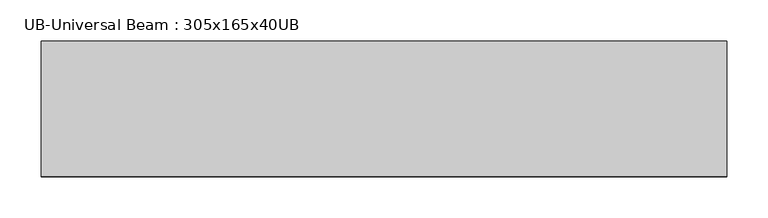
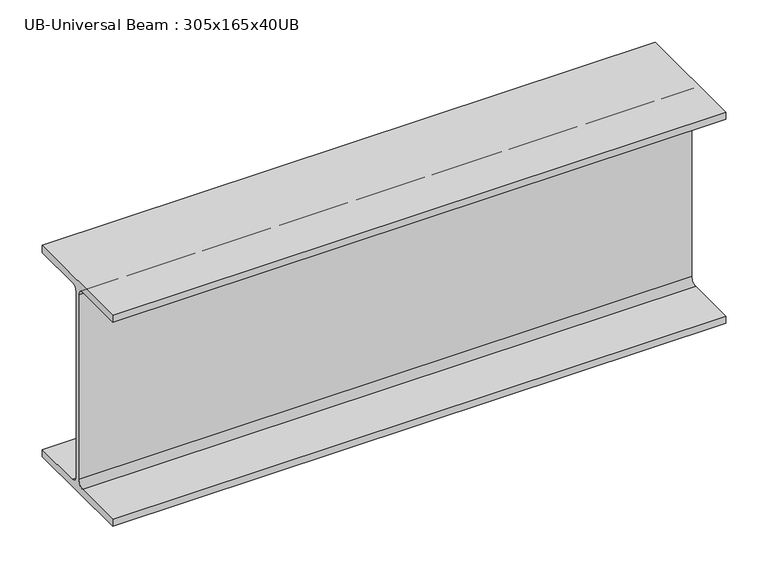
"""IFC4 building model written with IfcOpenShell, lengths in millimetres: beam geometry, UB-Universal Beam : 305x165x40UB."""

from ifc_helpers import new_model, si_unit, point, frame, frame_2d, origin, place, context, project, spatial, polyline, circle_curve, trimmed, segment, composite_curve, outline, extrude, source, transform, mapped, element, save


def ub_universal_beam_305x165x40ub_6fb7be9f(model_context):
    return source(origin(), model_context, "Body", "SweptSolid", [
        extrude(outline(composite_curve([segment(polyline([(82.5, -141.5), (82.5, -151.7), (-82.5, -151.7), (-82.5, -141.5), (-11.9, -141.5)]), True, "CONTINUOUS"), segment(trimmed(circle_curve(frame_2d((-11.9, -132.6)), 8.9), [point((-11.9, -141.5))], [point((-3.0, -132.6))], True, "CARTESIAN"), True, "CONTINUOUS"), segment(polyline([(-3.0, -132.6), (-3.0, 132.6)]), True, "CONTINUOUS"), segment(trimmed(circle_curve(frame_2d((-11.9, 132.6)), 8.9), [point((-3.0, 132.6))], [point((-11.9, 141.5))], True, "CARTESIAN"), True, "CONTINUOUS"), segment(polyline([(-11.9, 141.5), (-82.5, 141.5), (-82.5, 151.7), (82.5, 151.7), (82.5, 141.5), (11.9, 141.5)]), True, "CONTINUOUS"), segment(trimmed(circle_curve(frame_2d((11.9, 132.6)), 8.9), [point((11.9, 141.5))], [point((3.0, 132.6))], True, "CARTESIAN"), True, "CONTINUOUS"), segment(polyline([(3.0, 132.6), (3.0, -132.6)]), True, "CONTINUOUS"), segment(trimmed(circle_curve(frame_2d((11.9, -132.6)), 8.9), [point((3.0, -132.6))], [point((11.9, -141.5))], True, "CARTESIAN"), True, "CONTINUOUS"), segment(polyline([(11.9, -141.5), (82.5, -141.5)]), True, "CONTINUOUS")], self_intersect=False)), frame((-416.4647547, 0.0, 0.0), z_axis=(1.0, 0.0, 0.0), x_axis=(0.0, 1.0, 0.0)), (0.0, 0.0, 1.0), 832.9295093),
    ])


if __name__ == "__main__":
    model = new_model("IFC4")
    model_context = context("Model", 3, world=origin())
    ifc_project = project(units=[si_unit("LENGTHUNIT", "METRE", prefix="MILLI")], contexts=[model_context])
    site = spatial("IfcSite", under=ifc_project)
    building = spatial("IfcBuilding", under=site)
    placement = place(None, origin())
    ub_universal_beam_305x165x40ub_shape = ub_universal_beam_305x165x40ub_6fb7be9f(model_context)
    element("IfcBeam", 1, ObjectType="UB-Universal Beam : 305x165x40UB", at=placement, inside=building, context=model_context, shape_type="MappedRepresentation", body=[
        mapped(ub_universal_beam_305x165x40ub_shape, transform((0.0, 0.0, 0.0), x_axis=(1.0, 0.0, 0.0), y_axis=(0.0, 1.0, 0.0), z_axis=(0.0, 0.0, 1.0))),
    ])
    save(model, "model.ifc")
